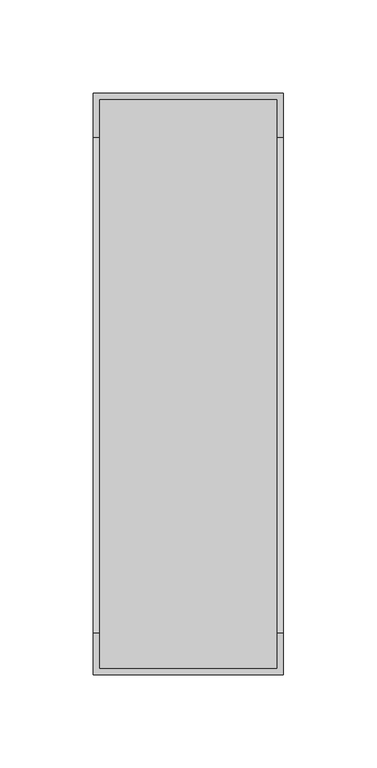
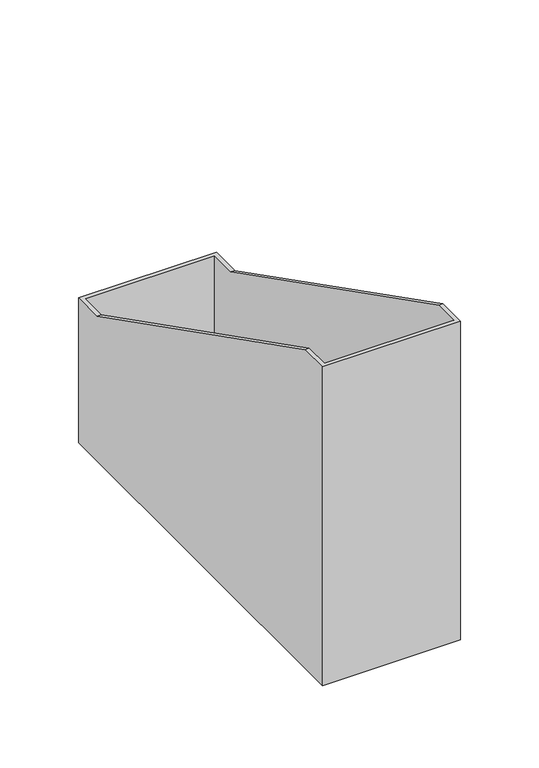
"""IFC4 building model written with IfcOpenShell, lengths in millimetres: furniture geometry."""

from ifc_helpers import new_model, si_unit, frame, origin, place, context, project, spatial, polyline, outline, extrude, faceted_brep, source, transform, mapped, element, save


def furniture_aedd09dd(model_context):
    return source(origin(), model_context, "Body", "SolidModel", [
        extrude(outline(polyline([(95.6307919, 5.9690105), (5.9688229, 5.9690105), (5.9688229, 305.1809795), (95.6307919, 305.1809795), (95.6307919, 5.9690105)]), holes=[polyline([(8.001257, 303.1489814), (8.001257, 8.0010086), (93.5989392, 8.0010086), (93.5989392, 303.1489814), (8.001257, 303.1489814)])]), frame((0.0, 0.0, 723.9), z_axis=(0.0, 0.0, 1.0), x_axis=(1.0, 0.0, 0.0)), (0.0, 0.0, 1.0), 3.0479971),
        faceted_brep([(98.5521252, 308.1020221, 730.3770029), (3.0480709, 308.1020221, 730.3770029), (3.0480709, 3.0479679, 730.3770029), (98.5521252, 3.0479679, 730.3770029), (101.600195, 0.0, 726.9479971), (0.0, 0.0, 726.9479971), (0.0, 311.1499465, 726.9479971), (101.600195, 311.1499465, 726.9479971), (101.600195, 0.0, 974.725), (0.0, 0.0, 974.725), (0.0, 22.224995, 974.725), (0.0, 287.6295799, 839.6731659), (0.0, 311.1499465, 839.6732), (101.600195, 311.1499465, 839.6732), (101.600195, 287.6295799, 839.6732), (101.600195, 22.224995, 974.7250242), (98.5521252, 287.6295129, 839.6732), (3.0480709, 287.6295129, 839.6732), (3.0480709, 308.1020221, 839.6732), (98.5521252, 308.1020221, 839.6732), (98.5521252, 3.0479679, 974.725), (98.5521252, 22.224995, 974.725), (3.0480709, 22.224995, 974.7250242), (3.0480709, 3.0479679, 974.725)], [[[0, 1, 2, 3]], [[4, 5, 6, 7]], [[4, 8, 9, 5]], [[5, 9, 10, 11, 12, 6]], [[6, 12, 13, 7]], [[7, 13, 14, 15, 8, 4]], [[16, 14, 13, 12, 11, 17, 18, 19]], [[19, 0, 3, 20, 21, 16]], [[18, 1, 0, 19]], [[17, 22, 23, 2, 1, 18]], [[8, 15, 21, 20, 23, 22, 10, 9]], [[20, 3, 2, 23]], [[17, 11, 10, 22]], [[14, 16, 21, 15]]]),
    ])


if __name__ == "__main__":
    model = new_model("IFC4")
    model_context = context("Model", 3, world=origin())
    ifc_project = project(units=[si_unit("LENGTHUNIT", "METRE", prefix="MILLI")], contexts=[model_context])
    site = spatial("IfcSite", under=ifc_project)
    building = spatial("IfcBuilding", under=site)
    placement = place(None, origin())
    furniture_shape = furniture_aedd09dd(model_context)
    element("IfcFurniture", 1, at=placement, inside=building, context=model_context, shape_type="MappedRepresentation", body=[
        mapped(furniture_shape, transform((0.0, 0.0, 0.0), x_axis=(1.0, 0.0, 0.0), y_axis=(0.0, 1.0, 0.0), z_axis=(0.0, 0.0, 1.0))),
    ])
    save(model, "model.ifc")
